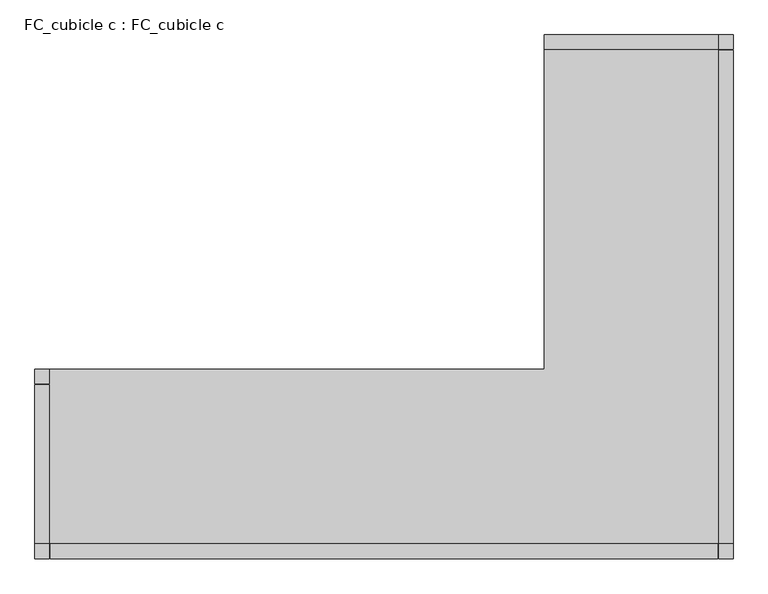
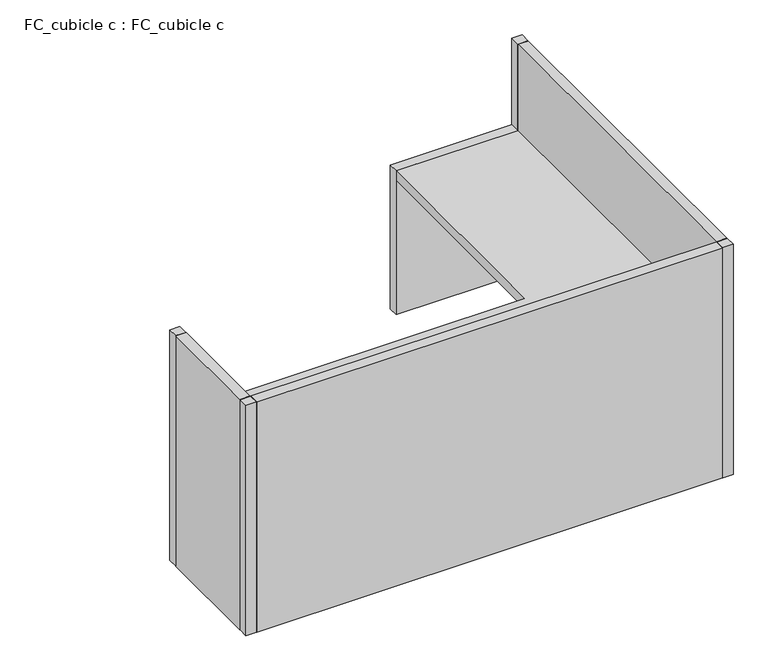
"""IFC4 building model written with IfcOpenShell, lengths in millimetres: furniture geometry, FC_cubicle c : FC_cubicle c."""

from ifc_helpers import new_model, si_unit, frame, origin, origin_with_axes, place, context, project, spatial, polyline, outline, extrude, source, transform, mapped, element, save


def fc_cubicle_c_fc_cubicle_c_696e08bb(model_context):
    return source(origin(), model_context, "Body", "SweptSolid", [
        extrude(outline(polyline([(-660.4, 1828.8), (-50.8, 1828.8), (-50.8, 1778.0), (-660.4, 1778.0), (-660.4, 1828.8)])), origin_with_axes(), (0.0, 0.0, 1.0), 762.0),
        extrude(outline(polyline([(-2438.4, 660.4), (-2387.6, 660.4), (-2387.6, 609.6), (-2438.4, 609.6), (-2438.4, 660.4)])), origin_with_axes(), (0.0, 0.0, 1.0), 1219.2),
        extrude(outline(polyline([(-2438.4, 50.8), (-2387.6, 50.8), (-2387.6, 0.0), (-2438.4, 0.0), (-2438.4, 50.8)])), origin_with_axes(), (0.0, 0.0, 1.0), 1219.2),
        extrude(outline(polyline([(-50.8, 50.8), (0.0, 50.8), (0.0, 0.0), (-50.8, 0.0), (-50.8, 50.8)])), origin_with_axes(), (0.0, 0.0, 1.0), 1219.2),
        extrude(outline(polyline([(-50.8, 1828.8), (0.0, 1828.8), (0.0, 1778.0), (-50.8, 1778.0), (-50.8, 1828.8)])), origin_with_axes(), (0.0, 0.0, 1.0), 1219.2),
        extrude(outline(polyline([(-2387.6, 660.4), (-660.4, 660.4), (-660.4, 1778.0), (-50.8, 1778.0), (-50.8, 50.8), (-2387.6, 50.8), (-2387.6, 660.4)])), frame((0.0, 0.0, 711.2), z_axis=(0.0, 0.0, 1.0), x_axis=(1.0, 0.0, 0.0)), (0.0, 0.0, 1.0), 50.8),
        extrude(outline(polyline([(-2384.425, 0.0), (-2384.425, 50.8), (-53.975, 50.8), (-53.975, 0.0), (-2384.425, 0.0)])), origin_with_axes(), (0.0, 0.0, 1.0), 1219.2),
        extrude(outline(polyline([(0.0, 53.975), (-50.8, 53.975), (-50.8, 1774.825), (0.0, 1774.825), (0.0, 53.975)])), origin_with_axes(), (0.0, 0.0, 1.0), 1219.2),
        extrude(outline(polyline([(-2438.4, 53.975), (-2438.4, 606.425), (-2387.6, 606.425), (-2387.6, 53.975), (-2438.4, 53.975)])), origin_with_axes(), (0.0, 0.0, 1.0), 1219.2),
    ])


if __name__ == "__main__":
    model = new_model("IFC4")
    model_context = context("Model", 3, world=origin())
    ifc_project = project(units=[si_unit("LENGTHUNIT", "METRE", prefix="MILLI")], contexts=[model_context])
    site = spatial("IfcSite", under=ifc_project)
    building = spatial("IfcBuilding", under=site)
    placement = place(None, origin())
    fc_cubicle_c_fc_cubicle_c_shape = fc_cubicle_c_fc_cubicle_c_696e08bb(model_context)
    element("IfcFurniture", 1, ObjectType="FC_cubicle c : FC_cubicle c", at=placement, inside=building, context=model_context, shape_type="MappedRepresentation", body=[
        mapped(fc_cubicle_c_fc_cubicle_c_shape, transform((0.0, 0.0, 0.0), x_axis=(1.0, 0.0, 0.0), y_axis=(0.0, 1.0, 0.0), z_axis=(0.0, 0.0, 1.0))),
    ])
    save(model, "model.ifc")
